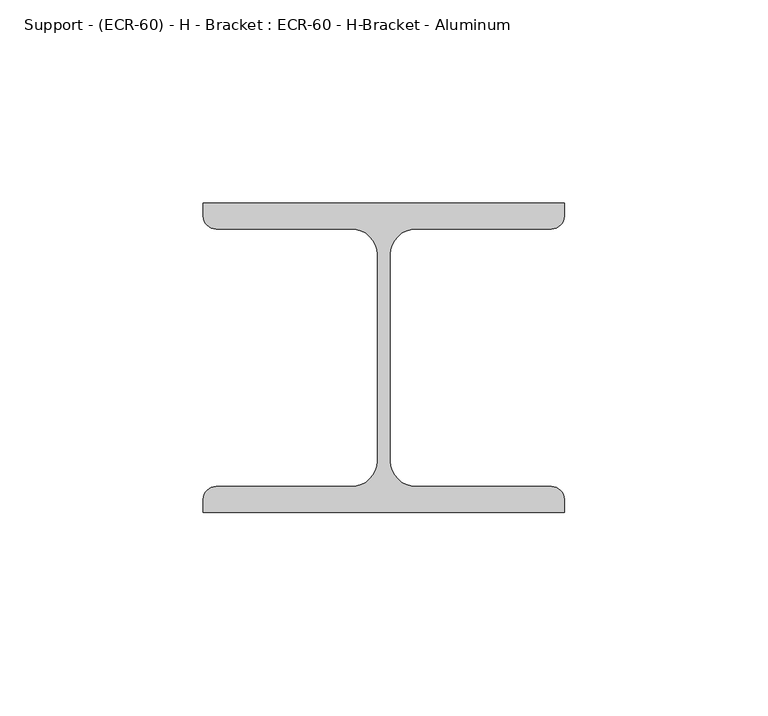
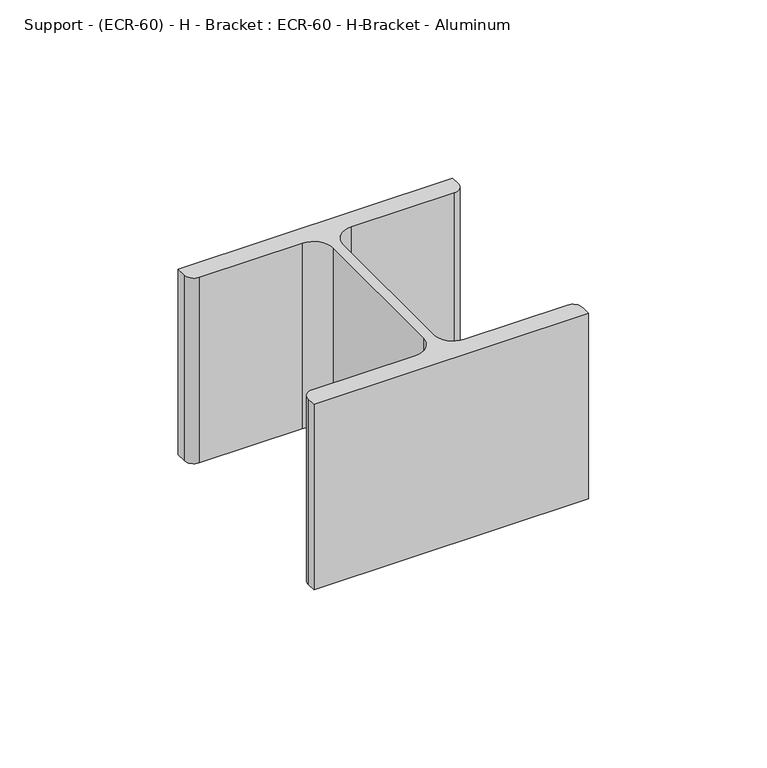
"""IFC4 building model written with IfcOpenShell, lengths in millimetres: proxy geometry, Support - (ECR-60) - H - Bracket : ECR-60 - H-Bracket - Aluminum."""

from ifc_helpers import new_model, si_unit, point, frame, frame_2d, origin, place, context, project, spatial, polyline, circle_curve, trimmed, segment, composite_curve, outline, extrude, source, transform, mapped, element, save


def support_ecr_60_h_bracket_ecr_60_h_bracket_aluminum_a32301d7(model_context):
    return source(origin(), model_context, "Body", "SweptSolid", [
        extrude(outline(composite_curve([segment(polyline([(44.45, 79.2852417), (44.45, 76.1102417)]), True, "CONTINUOUS"), segment(trimmed(circle_curve(frame_2d((41.275, 76.1102417)), 3.175), [point((44.45, 76.1102417))], [point((41.275, 72.9352417))], False, "CARTESIAN"), True, "CONTINUOUS"), segment(polyline([(41.275, 72.9352417), (7.9375, 72.9352417)]), True, "CONTINUOUS"), segment(trimmed(circle_curve(frame_2d((7.9375, 66.5852417)), 6.35), [point((7.9375, 72.9352417))], [point((1.5875, 66.5852417))], True, "CARTESIAN"), True, "CONTINUOUS"), segment(polyline([(1.5875, 66.5852417), (1.5875, 15.875)]), True, "CONTINUOUS"), segment(trimmed(circle_curve(frame_2d((7.9375, 15.875)), 6.35), [point((1.5875, 15.875))], [point((7.9375, 9.525))], True, "CARTESIAN"), True, "CONTINUOUS"), segment(polyline([(7.9375, 9.525), (41.275, 9.525)]), True, "CONTINUOUS"), segment(trimmed(circle_curve(frame_2d((41.275, 6.35)), 3.175), [point((41.275, 9.525))], [point((44.45, 6.35))], False, "CARTESIAN"), True, "CONTINUOUS"), segment(polyline([(44.45, 6.35), (44.45, 3.175), (-44.45, 3.175), (-44.45, 6.35)]), True, "CONTINUOUS"), segment(trimmed(circle_curve(frame_2d((-41.275, 6.35)), 3.175), [point((-44.45, 6.35))], [point((-41.275, 9.525))], False, "CARTESIAN"), True, "CONTINUOUS"), segment(polyline([(-41.275, 9.525), (-7.9375, 9.525)]), True, "CONTINUOUS"), segment(trimmed(circle_curve(frame_2d((-7.9375, 15.875)), 6.35), [point((-7.9375, 9.525))], [point((-1.5875, 15.875))], True, "CARTESIAN"), True, "CONTINUOUS"), segment(polyline([(-1.5875, 15.875), (-1.5875, 66.5852417)]), True, "CONTINUOUS"), segment(trimmed(circle_curve(frame_2d((-7.9375, 66.5852417)), 6.35), [point((-1.5875, 66.5852417))], [point((-7.9375, 72.9352417))], True, "CARTESIAN"), True, "CONTINUOUS"), segment(polyline([(-7.9375, 72.9352417), (-41.275, 72.9352417)]), True, "CONTINUOUS"), segment(trimmed(circle_curve(frame_2d((-41.275, 76.1102417)), 3.175), [point((-41.275, 72.9352417))], [point((-44.45, 76.1102417))], False, "CARTESIAN"), True, "CONTINUOUS"), segment(polyline([(-44.45, 76.1102417), (-44.45, 79.2852417), (44.45, 79.2852417)]), True, "CONTINUOUS")], self_intersect=False)), frame((0.0, 0.0, 31.75), z_axis=(0.0, 0.0, 1.0), x_axis=(1.0, 0.0, 0.0)), (0.0, 0.0, 1.0), 63.5),
    ])


if __name__ == "__main__":
    model = new_model("IFC4")
    model_context = context("Model", 3, world=origin())
    ifc_project = project(units=[si_unit("LENGTHUNIT", "METRE", prefix="MILLI")], contexts=[model_context])
    site = spatial("IfcSite", under=ifc_project)
    building = spatial("IfcBuilding", under=site)
    placement = place(None, origin())
    support_ecr_60_h_bracket_ecr_60_h_bracket_aluminum_shape = support_ecr_60_h_bracket_ecr_60_h_bracket_aluminum_a32301d7(model_context)
    element("IfcBuildingElementProxy", 1, Name="Support - (ECR-60) - H - Bracket : ECR-60 - H-Bracket - Aluminum", ObjectType="Support - (ECR-60) - H - Bracket : ECR-60 - H-Bracket - Aluminum", at=placement, inside=building, context=model_context, shape_type="MappedRepresentation", body=[
        mapped(support_ecr_60_h_bracket_ecr_60_h_bracket_aluminum_shape, transform((0.0, 0.0, 0.0), x_axis=(1.0, 0.0, 0.0), y_axis=(0.0, 1.0, 0.0), z_axis=(0.0, 0.0, 1.0))),
    ])
    save(model, "model.ifc")
